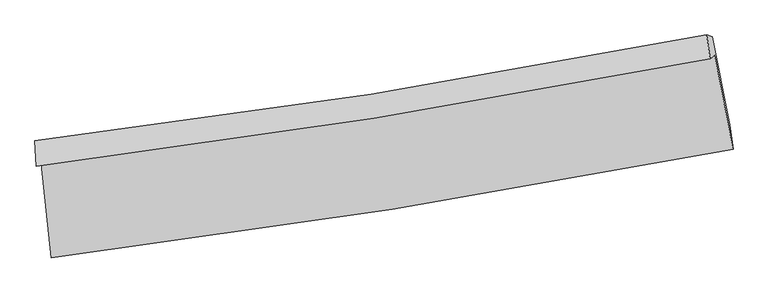
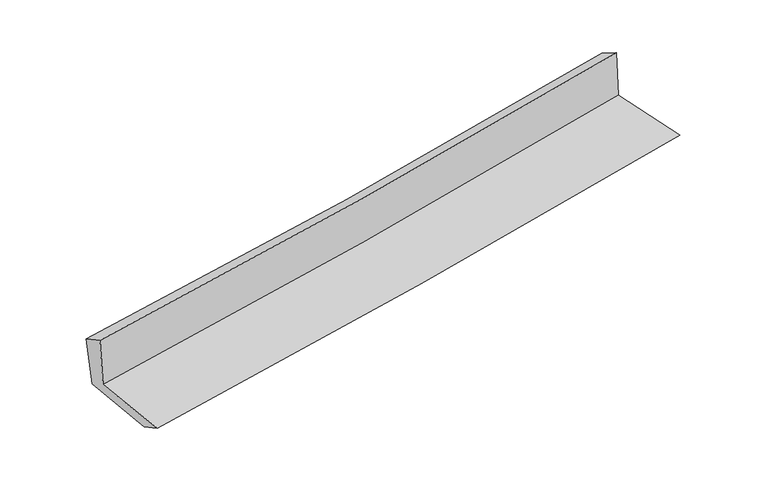
"""IFC4 building model written with IfcOpenShell, lengths in millimetres: proxy geometry."""

from ifc_helpers import new_model, si_unit, frame, origin, place, context, project, spatial, source, transform, mapped, element, save
from ifc_brep_helpers import plane_surface, spline_curve, spline_surface, advanced_brep


def generic_models_4e907940(model_context):
    return source(origin(), model_context, "Body", "AdvancedBrep", [
        advanced_brep(
        [(-2393.3899337, -1870.4095316, 1658.7634944), (-2324.2748672, -2534.5658098, 1650.8227213), (2478.3721685, -1768.5905759, 2091.7288335), (2348.5007219, -1106.8693069, 2091.2117682), (-2428.3981783, -1888.2749342, 2071.2153056), (2316.8535228, -1132.3636532, 2489.9098923), (-2438.6008564, -1708.006501, 1977.5916951), (2292.5590034, -964.3234254, 2395.2991158), (-2400.9308753, -1730.276924, 1581.6175018), (2330.2947398, -976.0294365, 2009.8195388), (-2334.0148605, -2361.6282168, 1560.4716172), (2454.0011274, -1598.689995, 1993.9773194)],
        [
            (0, 1),
            (1, 2, spline_curve(3, [(-2324.2748672, -2534.5658098, 1650.8227213), (-1521.863763515, -2434.269853805, 1730.757093318), (-721.103998434, -2320.420026339, 1807.410519973), (879.789427391, -2065.185896295, 1954.401239595), (1679.912007547, -1923.710645798, 2024.716517009), (2478.3721685, -1768.5905759, 2091.7288335)], [4, 2, 4], [0.0, 7.948733761601575, 15.924091399934845])),
            (2, 3),
            (3, 0, spline_curve(3, [(2348.5007219, -1106.8693069, 2091.2117682), (1561.105837714, -1261.107354615, 2022.284884962), (771.586621777, -1401.938734901, 1951.721102985), (-809.057756496, -1656.362782529, 1807.560767994), (-1600.168758818, -1770.04481058, 1733.975125194), (-2393.3899337, -1870.4095316, 1658.7634944)], [4, 2, 4], [0.0, 7.97535763833327, 15.924091399934845])),
            (4, 0),
            (3, 5),
            (5, 4, spline_curve(3, [(2316.8535228, -1132.3636532, 2489.9098923), (1529.018660086, -1285.687614507, 2421.024005136), (738.99879798, -1425.424842586, 2351.63066335), (-842.766332686, -1677.304708923, 2212.062418801), (-1634.497037729, -1789.537907623, 2141.890898146), (-2428.3981783, -1888.2749342, 2071.2153056)], [4, 2, 4], [0.0, 7.926028183367469, 15.825597164916623])),
            (6, 4),
            (5, 7),
            (7, 6, spline_curve(3, [(2292.5590034, -964.3234254, 2395.2991158), (1507.535880874, -1118.805868249, 2326.719867971), (720.097788801, -1258.098941285, 2257.562129), (-856.97159464, -1505.892056962, 2118.322465989), (-1646.586789101, -1614.493342279, 2048.24439834), (-2438.6008564, -1708.006501, 1977.5916951)], [4, 2, 4], [0.0, 7.913915362161059, 15.801411958340449])),
            (8, 6),
            (7, 9),
            (9, 8, spline_curve(3, [(2330.2947398, -976.0294365, 2009.8195388), (1545.215874982, -1129.068199647, 1936.272296314), (757.744460282, -1268.523953544, 1863.757234676), (-819.346691926, -1519.84924677, 1721.030102297), (-1608.950482174, -1631.809321725, 1650.81115154), (-2400.9308753, -1730.276924, 1581.6175018)], [4, 2, 4], [0.0, 7.9030502285106525, 15.77971796176154])),
            (10, 8),
            (9, 11),
            (11, 10, spline_curve(3, [(2454.0011274, -1598.689995, 1993.9773194), (1659.966415104, -1760.362503336, 1919.34186658), (863.276194085, -1904.854563884, 1845.840158027), (-732.746835262, -2159.052790303, 1701.345814389), (-1532.061943684, -2268.873470183, 1630.34562176), (-2334.0148605, -2361.6282168, 1560.4716172)], [4, 2, 4], [0.0, 7.952853387861007, 15.879158024196947])),
            (1, 10),
            (11, 2),
        ],
        [
            spline_surface(3, 3, [[(-2393.3899337, -1870.4095316, 1658.7634944), (-1600.168758883, -1770.044810521, 1733.975125079), (-809.057756383, -1656.362782489, 1807.560767913), (771.586621663, -1401.938734941, 1951.721103067), (1561.105837675, -1261.107354728, 2022.28488486), (2348.5007219, -1106.8693069, 2091.2117682)], [(-2370.351578204, -2091.79495767, 1656.116570039), (-1574.067093791, -1991.453158268, 1732.902447853), (-779.739837076, -1877.715197079, 1807.510685272), (807.654223596, -1623.021122082, 1952.614481899), (1600.707894296, -1481.975118452, 2023.095428924), (2391.791204103, -1327.443063247, 2091.384123296)], [(-2347.313222696, -2313.18038373, 1653.469645661), (-1547.965428688, -2212.861506005, 1731.82977061), (-750.42191779, -2099.067611675, 1807.46060264), (843.721825508, -1844.103509229, 1953.507860738), (1640.309950907, -1702.842882133, 2023.905973001), (2435.081686297, -1548.016819553, 2091.556478404)], [(-2324.2748672, -2534.5658098, 1650.8227213), (-1521.863763596, -2434.269853752, 1730.757093383), (-721.103998483, -2320.420026265, 1807.410519999), (879.789427441, -2065.185896369, 1954.401239569), (1679.912007527, -1923.710645857, 2024.716517065), (2478.3721685, -1768.5905759, 2091.7288335)]], [4, 4], [4, 2, 4], [0.0, 2.2010011491860917], [0.0, 7.948733761601575, 15.924091399934845]),
            spline_surface(3, 3, [[(-2428.3981783, -1888.2749342, 2071.2153056), (-1634.497037828, -1789.537907606, 2141.890898233), (-842.766332814, -1677.30470881, 2212.062418769), (738.998798108, -1425.424842699, 2351.630663383), (1529.018660099, -1285.68761449, 2421.024005083), (2316.8535228, -1132.3636532, 2489.9098923)], [(-2416.728763417, -1882.319799988, 1933.731368537), (-1623.054278164, -1783.040208565, 2005.918973852), (-831.530140681, -1670.324066709, 2077.228535139), (749.861405949, -1417.596140119, 2218.327476599), (1539.71438597, -1277.494194561, 2288.110965001), (2327.402589179, -1123.865537758, 2357.010517592)], [(-2405.059348583, -1876.364665812, 1796.247431463), (-1611.611518547, -1776.542509562, 1869.94704946), (-820.293948516, -1663.343424591, 1942.394651543), (760.724013822, -1409.767437522, 2085.02428985), (1550.410111804, -1269.300774658, 2155.197924942), (2337.951655521, -1115.367422342, 2224.111142908)], [(-2393.3899337, -1870.4095316, 1658.7634944), (-1600.168758883, -1770.044810521, 1733.975125079), (-809.057756383, -1656.362782489, 1807.560767913), (771.586621663, -1401.938734941, 1951.721103067), (1561.105837675, -1261.107354728, 2022.28488486), (2348.5007219, -1106.8693069, 2091.2117682)]], [4, 4], [4, 2, 4], [0.0, 1.3260256747313823], [0.0, 7.899568981549153, 15.825597164916623]),
            spline_surface(3, 3, [[(-2438.6008564, -1708.006501, 1977.5916951), (-1646.586788992, -1614.493342246, 2048.244398352), (-856.971594577, -1505.892056849, 2118.322466115), (720.097788737, -1258.098941399, 2257.562128873), (1507.535880928, -1118.805868268, 2326.719868036), (2292.5590034, -964.3234254, 2395.2991158)], [(-2435.199963731, -1768.095978741, 2008.799565257), (-1642.556871968, -1672.841530707, 2079.459898303), (-852.23650732, -1563.029607509, 2149.569117003), (726.398125197, -1313.874241839, 2288.918307046), (1514.696807305, -1174.433117022, 2358.154580386), (2300.65717652, -1020.336834679, 2426.836041301)], [(-2431.799070969, -1828.185456459, 2040.007435443), (-1638.526954852, -1731.189719146, 2110.675398282), (-847.501420071, -1620.16715815, 2180.815767881), (732.698461648, -1369.649542259, 2320.274485209), (1521.857733722, -1230.060365737, 2389.589292733), (2308.75534968, -1076.350243921, 2458.372966799)], [(-2428.3981783, -1888.2749342, 2071.2153056), (-1634.497037828, -1789.537907606, 2141.890898233), (-842.766332814, -1677.30470881, 2212.062418769), (738.998798108, -1425.424842699, 2351.630663383), (1529.018660099, -1285.68761449, 2421.024005083), (2316.8535228, -1132.3636532, 2489.9098923)]], [4, 4], [4, 2, 4], [0.0, 0.6376658054253481], [0.0, 7.88749659617939, 15.801411958340449]),
            spline_surface(3, 3, [[(-2400.9308753, -1730.276924, 1581.6175018), (-1608.950482273, -1631.809321845, 1650.811151524), (-819.346691976, -1519.849246713, 1721.030102254), (757.744460332, -1268.523953601, 1863.757234719), (1545.215875082, -1129.068199586, 1936.272296281), (2330.2947398, -976.0294365, 2009.8195388)], [(-2413.487535653, -1722.853449661, 1713.608899591), (-1621.495917832, -1626.03732864, 1783.288900491), (-831.888326188, -1515.196850085, 1853.460890233), (745.195569788, -1265.048949527, 1995.025532795), (1532.655877049, -1125.647422482, 2066.421486857), (2317.716161018, -972.127432801, 2138.312731125)], [(-2426.044196047, -1715.429975339, 1845.600297309), (-1634.041353433, -1620.265335451, 1915.766649385), (-844.429960365, -1510.544453477, 1985.891678136), (732.646679281, -1261.573945473, 2126.293830797), (1520.095878961, -1122.226645373, 2196.570677459), (2305.137582182, -968.225429099, 2266.805923475)], [(-2438.6008564, -1708.006501, 1977.5916951), (-1646.586788992, -1614.493342246, 2048.244398352), (-856.971594577, -1505.892056849, 2118.322466115), (720.097788737, -1258.098941399, 2257.562128873), (1507.535880928, -1118.805868268, 2326.719868036), (2292.5590034, -964.3234254, 2395.2991158)]], [4, 4], [4, 2, 4], [0.0, 1.3041865948610007], [0.0, 7.876667733250887, 15.77971796176154]),
            spline_surface(3, 3, [[(-2334.0148605, -2361.6282168, 1560.4716172), (-1532.06194358, -2268.873470078, 1630.345621822), (-732.746835235, -2159.052790197, 1701.345814281), (863.276194057, -1904.85456399, 1845.840158136), (1659.966415034, -1760.36250328, 1919.341866465), (2454.0011274, -1598.689995, 1993.9773194)], [(-2356.320198772, -2151.17778587, 1567.520245368), (-1557.691456483, -2056.518754004, 1637.167465024), (-761.613454146, -1945.984942364, 1707.907243605), (828.098949484, -1692.744360523, 1851.812516996), (1621.716235048, -1549.931068713, 1924.985343087), (2412.765664865, -1391.136475498, 1999.258059217)], [(-2378.625537028, -1940.72735493, 1574.568873632), (-1583.320969369, -1844.164037919, 1643.989308322), (-790.480073064, -1732.917094545, 1714.46867293), (792.921704905, -1480.634157068, 1857.784875859), (1583.466055068, -1339.499634153, 1930.628819659), (2371.530202335, -1183.582956002, 2004.538798983)], [(-2400.9308753, -1730.276924, 1581.6175018), (-1608.950482273, -1631.809321845, 1650.811151524), (-819.346691976, -1519.849246713, 1721.030102254), (757.744460332, -1268.523953601, 1863.757234719), (1545.215875082, -1129.068199586, 1936.272296281), (2330.2947398, -976.0294365, 2009.8195388)]], [4, 4], [4, 2, 4], [0.0, 2.1169141220624375], [0.0, 7.92630463633594, 15.879158024196947]),
            spline_surface(3, 3, [[(-2324.2748672, -2534.5658098, 1650.8227213), (-1521.863763596, -2434.269853752, 1730.757093383), (-721.103998483, -2320.420026265, 1807.410519999), (879.789427441, -2065.185896369, 1954.401239569), (1679.912007527, -1923.710645857, 2024.716517065), (2478.3721685, -1768.5905759, 2091.7288335)], [(-2327.521531623, -2476.91994547, 1620.705686608), (-1525.263156913, -2379.137725864, 1697.28660287), (-724.984944056, -2266.630947577, 1772.055618079), (874.285016324, -2011.742118911, 1918.214212411), (1673.263476678, -1869.261264982, 1989.591633535), (2470.248488116, -1711.957048917, 2059.144995469)], [(-2330.768196077, -2419.27408113, 1590.588651892), (-1528.662550262, -2324.005597966, 1663.816112335), (-728.865889662, -2212.841868885, 1736.700716201), (868.780605174, -1958.298341449, 1882.027185294), (1666.614945882, -1814.811884156, 1954.466749996), (2462.124807784, -1655.323521983, 2026.561157431)], [(-2334.0148605, -2361.6282168, 1560.4716172), (-1532.06194358, -2268.873470078, 1630.345621822), (-732.746835235, -2159.052790197, 1701.345814281), (863.276194057, -1904.85456399, 1845.840158136), (1659.966415034, -1760.36250328, 1919.341866465), (2454.0011274, -1598.689995, 1993.9773194)]], [4, 4], [4, 2, 4], [0.0, 0.6360710965807721], [0.0, 7.986243722920878, 15.999236960268249]),
            plane_surface(frame((2370.0968806, -1257.8110655, 2178.6577446), z_axis=(0.9772978349260933, 0.19187767510879714, 0.0898437512775011), x_axis=(-0.09738278188145755, 0.030209134249361037, 0.9947884207211766))),
            plane_surface(frame((-2386.6015952, -2015.5269862, 1750.0803892), z_axis=(-0.9908327087598356, -0.10205210447554877, -0.0885206824632435), x_axis=(-0.10349820223023193, 0.9945585570167254, 0.011891122735855039))),
        ],
        [
            (0, [[1, 2, 3, 4]]),
            (1, [[5, -4, 6, 7]]),
            (2, [[8, -7, 9, 10]]),
            (3, [[11, -10, 12, 13]]),
            (4, [[14, -13, 15, 16]]),
            (5, [[17, -16, 18, -2]]),
            (6, [[-12, -9, -6, -3, -18, -15]]),
            (7, [[-1, -5, -8, -11, -14, -17]]),
        ],
    ),
    ])


if __name__ == "__main__":
    model = new_model("IFC4")
    model_context = context("Model", 3, world=origin())
    ifc_project = project(units=[si_unit("LENGTHUNIT", "METRE", prefix="MILLI")], contexts=[model_context])
    site = spatial("IfcSite", under=ifc_project)
    building = spatial("IfcBuilding", under=site)
    placement = place(None, origin())
    generic_models_shape = generic_models_4e907940(model_context)
    element("IfcBuildingElementProxy", 1, Name="Generic Models", at=placement, inside=building, context=model_context, shape_type="MappedRepresentation", body=[
        mapped(generic_models_shape, transform((0.0, 0.0, 0.0), x_axis=(1.0, 0.0, 0.0), y_axis=(0.0, 1.0, 0.0), z_axis=(0.0, 0.0, 1.0))),
    ])
    save(model, "model.ifc")
